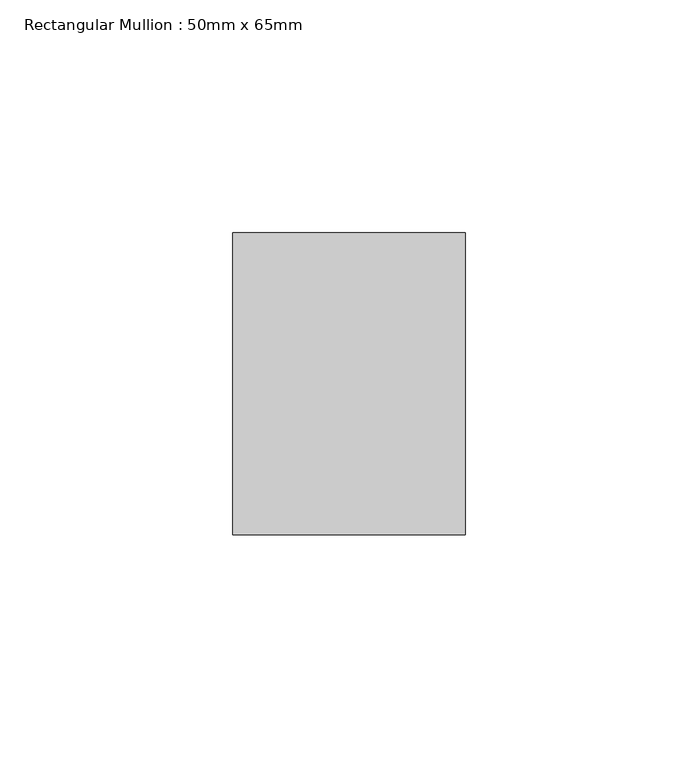
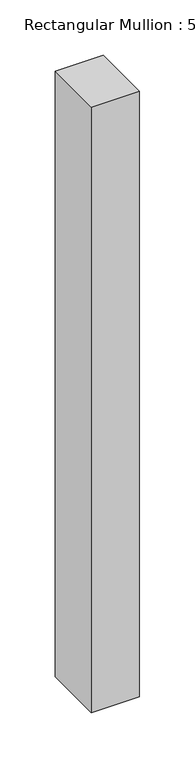
"""IFC4 building model written with IfcOpenShell, lengths in millimetres: member geometry, Rectangular Mullion : 50mm x 65mm."""

from ifc_helpers import new_model, si_unit, frame, origin, place, context, project, spatial, polyline, outline, extrude, source, transform, mapped, element, save


def rectangular_mullion_50mm_x_65mm_281ae618(model_context):
    return source(origin(), model_context, "Body", "SweptSolid", [
        extrude(outline(polyline([(25.0, 32.5), (25.0, -32.5), (-25.0, -32.5), (-25.0, 32.5), (25.0, 32.5)])), frame((0.0, 0.0, -667.5401897), z_axis=(0.0, 0.0, 1.0), x_axis=(1.0, 0.0, 0.0)), (0.0, 0.0, 1.0), 667.5401897),
    ])


if __name__ == "__main__":
    model = new_model("IFC4")
    model_context = context("Model", 3, world=origin())
    ifc_project = project(units=[si_unit("LENGTHUNIT", "METRE", prefix="MILLI")], contexts=[model_context])
    site = spatial("IfcSite", under=ifc_project)
    building = spatial("IfcBuilding", under=site)
    placement = place(None, origin())
    rectangular_mullion_50mm_x_65mm_shape = rectangular_mullion_50mm_x_65mm_281ae618(model_context)
    element("IfcMember", 1, ObjectType="Rectangular Mullion : 50mm x 65mm", at=placement, inside=building, context=model_context, shape_type="MappedRepresentation", body=[
        mapped(rectangular_mullion_50mm_x_65mm_shape, transform((0.0, 0.0, 0.0), x_axis=(1.0, 0.0, 0.0), y_axis=(0.0, 1.0, 0.0), z_axis=(0.0, 0.0, 1.0))),
    ])
    save(model, "model.ifc")
